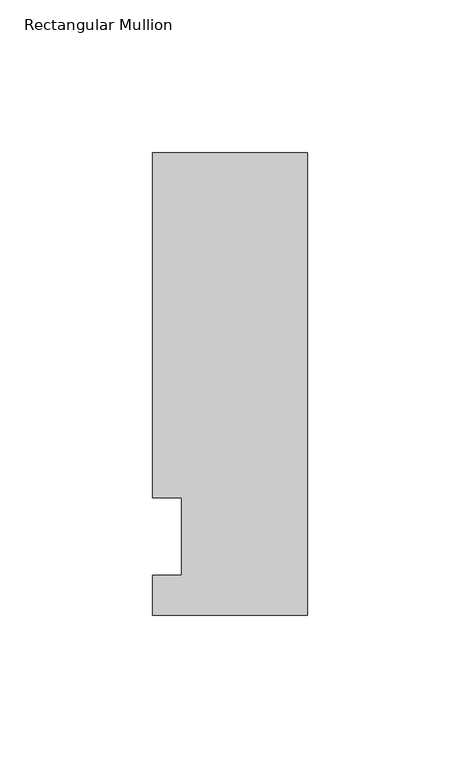
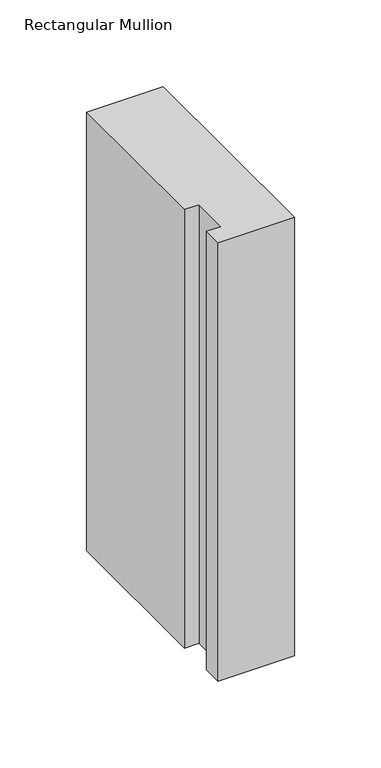
"""IFC4 building model written with IfcOpenShell, lengths in millimetres: member geometry, Rectangular Mullion."""

from ifc_helpers import new_model, si_unit, frame, origin, place, context, project, spatial, polyline, outline, extrude, source, transform, mapped, element, save


def rectangular_mullion_9957f6d4(model_context):
    return source(origin(), model_context, "Body", "SweptSolid", [
        extrude(outline(polyline([(-50.8, -25.7961253), (-50.8, -12.7), (-41.275, -12.7), (-41.275, 12.7), (-50.8, 12.7), (-50.8, 125.8036906), (0.0, 125.8036906), (0.0, -25.7961253), (-50.8, -25.7961253)])), frame((0.0, 0.0, -308.61635), z_axis=(0.0, 0.0, 1.0), x_axis=(1.0, 0.0, 0.0)), (0.0, 0.0, 1.0), 308.61635),
    ])


if __name__ == "__main__":
    model = new_model("IFC4")
    model_context = context("Model", 3, world=origin())
    ifc_project = project(units=[si_unit("LENGTHUNIT", "METRE", prefix="MILLI")], contexts=[model_context])
    site = spatial("IfcSite", under=ifc_project)
    building = spatial("IfcBuilding", under=site)
    placement = place(None, origin())
    rectangular_mullion_shape = rectangular_mullion_9957f6d4(model_context)
    element("IfcMember", 1, ObjectType="Rectangular Mullion", at=placement, inside=building, context=model_context, shape_type="MappedRepresentation", body=[
        mapped(rectangular_mullion_shape, transform((0.0, 0.0, 0.0), x_axis=(1.0, 0.0, 0.0), y_axis=(0.0, 1.0, 0.0), z_axis=(0.0, 0.0, 1.0))),
    ])
    save(model, "model.ifc")
